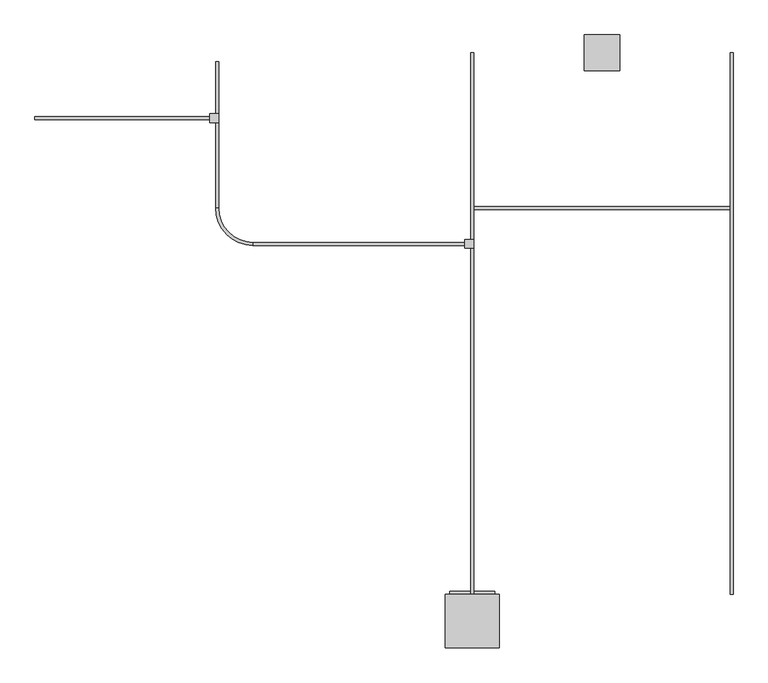
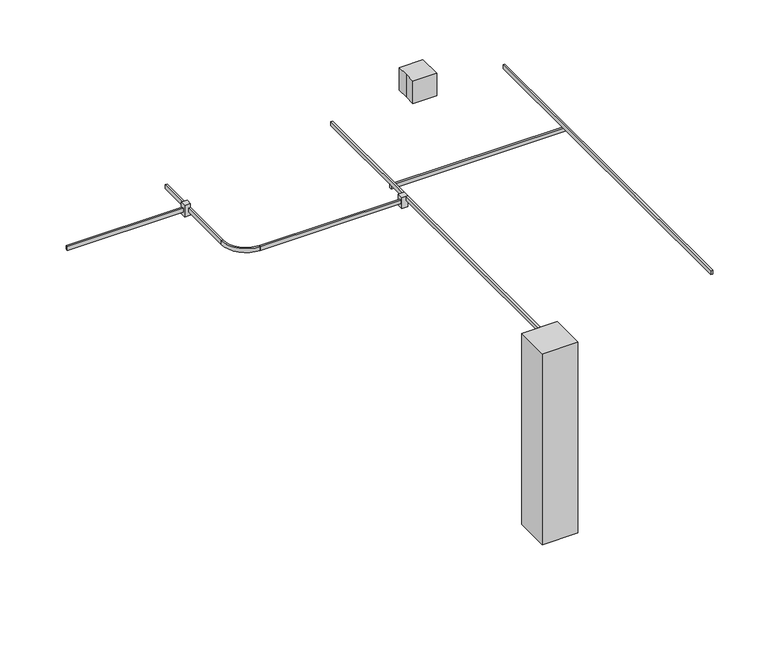
"""IFC4 building model written with IfcOpenShell, lengths in millimetres: proxy geometry."""

import ifcopenshell
import ifcopenshell.guid

model = None  # the IFC model being written
_history = None  # IfcOwnerHistory: only IFC2X3 demands one
_inside = {}  # id of a spatial element -> (the spatial element, [elements in it])
_under = {}  # id of a project, library or spatial element -> (it, [spatial elements below it])
_declared = {}  # id of a project -> (the project, [libraries it declares])
_typed = {}  # id of a type object -> (the type object, [elements of that type])
_made_of = {}  # id of a material, layer set ... -> (it, [elements and type objects made of it])


def new_model(schema):
    """Start an empty IFC model of exactly this schema.

    Asked for "IFC4X3", IfcOpenShell would pick the latest addendum, in which some entities
    have other attributes; the version numbers below select the first issue.
    IFC2X3 requires an IfcOwnerHistory on every rooted entity: one is made here for all.
    """
    global model, _history
    if schema == "IFC4X3":
        model = ifcopenshell.file(schema_version=(4, 3, 0, 0))
    else:
        model = ifcopenshell.file(schema=schema)
    _inside.clear()
    _under.clear()
    _declared.clear()
    _typed.clear()
    _made_of.clear()
    _history = None
    if model.schema == "IFC2X3":
        org = make("IfcOrganization", Name="unknown")
        user = make(
            "IfcPersonAndOrganization",
            ThePerson=make("IfcPerson", FamilyName="unknown"),
            TheOrganization=org,
        )
        app = make(
            "IfcApplication",
            ApplicationDeveloper=org,
            Version="unknown",
            ApplicationFullName="unknown",
            ApplicationIdentifier="unknown",
        )
        _history = make(
            "IfcOwnerHistory",
            OwningUser=user,
            OwningApplication=app,
            ChangeAction="ADDED",
            CreationDate=0,
        )
    return model


def make(cls, **values):
    """One entity of the class cls with the attributes given. An attribute that is None is left unset."""
    return model.create_entity(
        cls, **{name: value for name, value in values.items() if value is not None}
    )


def rooted(cls, **values):
    """An entity with a GlobalId (a new one), such as an element, a storey or a relation."""
    return make(cls, GlobalId=ifcopenshell.guid.new(), OwnerHistory=_history, **values)


def si_unit(unit_type, name, prefix=None):
    """IfcSIUnit, for example si_unit("LENGTHUNIT", "METRE", prefix="MILLI")."""
    return make("IfcSIUnit", UnitType=unit_type, Prefix=prefix, Name=name)


def assignment(units):
    """IfcUnitAssignment: the units of a project."""
    return None if units is None else make("IfcUnitAssignment", Units=units)


def point(xyz):
    """IfcCartesianPoint."""
    return None if xyz is None else make("IfcCartesianPoint", Coordinates=xyz)


def direction(xyz):
    """IfcDirection."""
    return None if xyz is None else make("IfcDirection", DirectionRatios=xyz)


def frame(location, z_axis=None, x_axis=None):
    """IfcAxis2Placement3D, a coordinate frame: its origin and axes. An axis left out is left unset."""
    return make(
        "IfcAxis2Placement3D",
        Location=point(location),
        Axis=direction(z_axis),
        RefDirection=direction(x_axis),
    )


def frame_2d(location, x_axis=None):
    """IfcAxis2Placement2D, a coordinate frame in the plane: its origin and x axis."""
    return make(
        "IfcAxis2Placement2D", Location=point(location), RefDirection=direction(x_axis)
    )


def origin():
    """The frame at (0, 0, 0) with its axes left unset."""
    return frame((0.0, 0.0, 0.0))


def origin_with_axes():
    """The frame at (0, 0, 0) with the z axis (0, 0, 1) and the x axis (1, 0, 0) written out."""
    return frame((0.0, 0.0, 0.0), z_axis=(0.0, 0.0, 1.0), x_axis=(1.0, 0.0, 0.0))


def place(relative_to, where):
    """IfcLocalPlacement: puts the frame where relative to a parent placement (None: the world)."""
    return make(
        "IfcLocalPlacement", PlacementRelTo=relative_to, RelativePlacement=where
    )


def context(
    kind, dimensions, precision=None, world=None, true_north=None, identifier=None
):
    """IfcGeometricRepresentationContext, for example the 3D "Model" context."""
    return make(
        "IfcGeometricRepresentationContext",
        ContextIdentifier=identifier,
        ContextType=kind,
        CoordinateSpaceDimension=dimensions,
        Precision=precision,
        WorldCoordinateSystem=world,
        TrueNorth=true_north,
    )


def project(units=None, contexts=None):
    """IfcProject with its units and contexts."""
    return rooted(
        "IfcProject",
        Name="project",
        RepresentationContexts=contexts,
        UnitsInContext=assignment(units),
    )


def spatial(cls, under=None, at=None, **own):
    """A site, building, storey or space (cls), placed at a placement, below another one or the project."""
    s = rooted(cls, ObjectPlacement=at, **own)
    if under is not None:
        _under.setdefault(under.id(), (under, []))[1].append(s)
    return s


def polyline(points):
    """IfcPolyline through the points."""
    return make("IfcPolyline", Points=[point(p) for p in points])


def circle_curve(where, radius):
    """IfcCircle in the frame where."""
    return make("IfcCircle", Position=where, Radius=radius)


def trimmed(basis, trim1, trim2, sense, master):
    """IfcTrimmedCurve: the piece of a basis curve between two trims."""
    return make(
        "IfcTrimmedCurve",
        BasisCurve=basis,
        Trim1=trim1,
        Trim2=trim2,
        SenseAgreement=sense,
        MasterRepresentation=master,
    )


def segment(curve, same_sense, transition):
    """IfcCompositeCurveSegment."""
    return make(
        "IfcCompositeCurveSegment",
        Transition=transition,
        SameSense=same_sense,
        ParentCurve=curve,
    )


def composite_curve(segments, self_intersect=None):
    """IfcCompositeCurve: segments joined end to end."""
    return make("IfcCompositeCurve", Segments=segments, SelfIntersect=self_intersect)


def outline(outer, holes=None, kind="AREA"):
    """IfcArbitraryClosedProfileDef: a profile drawn as a closed curve; with holes, ...WithVoids."""
    if holes is None:
        return make("IfcArbitraryClosedProfileDef", ProfileType=kind, OuterCurve=outer)
    return make(
        "IfcArbitraryProfileDefWithVoids",
        ProfileType=kind,
        OuterCurve=outer,
        InnerCurves=holes,
    )


def extrude(swept, where, along, depth):
    """IfcExtrudedAreaSolid: the profile swept, set in the frame where, extruded along a direction by depth."""
    return make(
        "IfcExtrudedAreaSolid",
        SweptArea=swept,
        Position=where,
        ExtrudedDirection=direction(along),
        Depth=depth,
    )


def shape(context_of_items, identifier, shape_type, items):
    """IfcShapeRepresentation: the items that make up one representation, for example the "Body"."""
    return make(
        "IfcShapeRepresentation",
        ContextOfItems=context_of_items,
        RepresentationIdentifier=identifier,
        RepresentationType=shape_type,
        Items=items,
    )


def source(mapping_origin, context_of_items, identifier, shape_type, items):
    """IfcRepresentationMap: a shape defined once, which mapped items show again and again."""
    return make(
        "IfcRepresentationMap",
        MappingOrigin=mapping_origin,
        MappedRepresentation=shape(context_of_items, identifier, shape_type, items),
    )


def transform(
    local_origin,
    x_axis=None,
    y_axis=None,
    z_axis=None,
    scale=None,
    scale2=None,
    scale3=None,
    uniform=True,
):
    """IfcCartesianTransformationOperator3D, or its non-uniform kind. x_axis, y_axis, z_axis: its Axis1, 2, 3."""
    if uniform:
        return make(
            "IfcCartesianTransformationOperator3D",
            Axis1=direction(x_axis),
            Axis2=direction(y_axis),
            LocalOrigin=point(local_origin),
            Scale=scale,
            Axis3=direction(z_axis),
        )
    return make(
        "IfcCartesianTransformationOperator3DnonUniform",
        Axis1=direction(x_axis),
        Axis2=direction(y_axis),
        LocalOrigin=point(local_origin),
        Scale=scale,
        Axis3=direction(z_axis),
        Scale2=scale2,
        Scale3=scale3,
    )


def mapped(mapping_source, mapping_target):
    """IfcMappedItem: shows the shape of a source again, moved by a transform."""
    return make(
        "IfcMappedItem", MappingSource=mapping_source, MappingTarget=mapping_target
    )


def made_of(thing, what):
    """Note that an element or type object is made of a material, layer set ...; save() writes the relation."""
    if what is not None:
        _made_of.setdefault(what.id(), (what, []))[1].append(thing)
    return thing


def element(
    cls,
    number,
    at=None,
    inside=None,
    cuts=None,
    type_object=None,
    material=None,
    context=None,
    identifier="Body",
    shape_type=None,
    held_by="IfcProductDefinitionShape",
    body=None,
    shapes=None,
    **own,
):
    """One element of the class cls, such as IfcWall. Its Tag is "e" and its number.

    at: its placement. inside: the storey or other place that contains it. cuts: it is an
    opening in that element (IfcRelVoidsElement). A single representation is given by context,
    identifier, shape_type and body (its items); several are given by shapes. held_by: the class
    of the entity that holds the representations. save() writes the other relations.
    """
    e = rooted(cls, Tag="e%d" % number, ObjectPlacement=at, **own)
    if body is not None:
        shapes = [shape(context, identifier, shape_type, body)]
    if shapes is not None:
        e.Representation = make(held_by, Representations=shapes)
    if inside is not None:
        _inside.setdefault(inside.id(), (inside, []))[1].append(e)
    if cuts is not None:
        rooted(
            "IfcRelVoidsElement", RelatingBuildingElement=cuts, RelatedOpeningElement=e
        )
    if type_object is not None:
        _typed.setdefault(type_object.id(), (type_object, []))[1].append(e)
    return made_of(e, material)


def aggregate(whole, parts):
    """IfcRelAggregates: a whole, such as a stair, and the parts it consists of."""
    return rooted("IfcRelAggregates", RelatingObject=whole, RelatedObjects=parts)


def save(model, path):
    """Write the relations noted so far, then the file.

    IfcRelAggregates (storeys below a building ...), IfcRelContainedInSpatialStructure (elements
    in a storey), IfcRelDefinesByType, IfcRelAssociatesMaterial and IfcRelDeclares: one each for
    every whole, place, type object, material and project.
    """
    for whole, parts in _under.values():
        aggregate(whole, parts)
    for where, things in _inside.values():
        rooted(
            "IfcRelContainedInSpatialStructure",
            RelatedElements=things,
            RelatingStructure=where,
        )
    for kind, things in _typed.values():
        rooted("IfcRelDefinesByType", RelatedObjects=things, RelatingType=kind)
    for what, things in _made_of.values():
        rooted("IfcRelAssociatesMaterial", RelatedObjects=things, RelatingMaterial=what)
    for by, libraries in _declared.values():
        rooted("IfcRelDeclares", RelatingContext=by, RelatedDefinitions=libraries)
    model.write(path)


def specialty_equipment_7046e059(model_context):
    return source(origin(), model_context, "Body", "SweptSolid", [
        extrude(outline(polyline([(-3338.4200386, -545.1376019), (-3338.4200386, -570.5376019), (-4825.7229408, -570.5376019), (-4825.7229408, -545.1376019), (-3338.4200386, -545.1376019)])), frame((0.0, 0.0, -101.6), z_axis=(0.0, 0.0, 1.0), x_axis=(1.0, 0.0, 0.0)), (0.0, 0.0, 1.0), 50.8),
        extrude(outline(polyline([(-3338.4200386, -519.7376019), (-3262.2200386, -519.7376019), (-3262.2200386, -595.9376019), (-3338.4200386, -595.9376019), (-3338.4200386, -519.7376019)])), frame((0.0, 0.0, -152.4), z_axis=(0.0, 0.0, 1.0), x_axis=(1.0, 0.0, 0.0)), (0.0, 0.0, 1.0), 152.4),
        extrude(outline(composite_curve([segment(trimmed(circle_curve(frame_2d((-2970.1200386, -1322.4686515)), 292.1), [point((-3262.2200386, -1322.4686515))], [point((-2970.1200386, -1614.5686515))], True, "CARTESIAN"), True, "CONTINUOUS"), segment(polyline([(-2970.1200386, -1614.5686515), (-2970.1200386, -1639.9686515)]), True, "CONTINUOUS"), segment(trimmed(circle_curve(frame_2d((-2970.1200386, -1322.4686515)), 317.5), [point((-2970.1200386, -1639.9686515))], [point((-3287.6200386, -1322.4686515))], False, "CARTESIAN"), True, "CONTINUOUS"), segment(polyline([(-3287.6200386, -1322.4686515), (-3262.2200386, -1322.4686515)]), True, "CONTINUOUS")], self_intersect=False)), frame((0.0, 0.0, -101.6), z_axis=(0.0, 0.0, 1.0), x_axis=(1.0, 0.0, 0.0)), (0.0, 0.0, 1.0), 50.8),
        extrude(outline(polyline([(-3262.2200386, -1322.4686515), (-3287.6200386, -1322.4686515), (-3287.6200386, -75.2376019), (-3262.2200386, -75.2376019), (-3262.2200386, -1322.4686515)])), frame((0.0, 0.0, -101.6), z_axis=(0.0, 0.0, 1.0), x_axis=(1.0, 0.0, 0.0)), (0.0, 0.0, 1.0), 50.8),
        extrude(outline(polyline([(-1294.2912788, -4585.4992972), (-913.2912788, -4585.4992972), (-913.2912788, -4610.8992972), (-1294.2912788, -4610.8992972), (-1294.2912788, -4585.4992972)])), frame((0.0, 0.0, -2511.7688632), z_axis=(0.0, 0.0, 1.0), x_axis=(1.0, 0.0, 0.0)), (0.0, 0.0, 1.0), 2410.1688632),
        extrude(outline(polyline([(-875.1912788, -5068.0992972), (-1332.3912788, -5068.0992972), (-1332.3912788, -4610.8992972), (-875.1912788, -4610.8992972), (-875.1912788, -5068.0992972)])), frame((0.0, 0.0, -2590.8), z_axis=(0.0, 0.0, 1.0), x_axis=(1.0, 0.0, 0.0)), (0.0, 0.0, 1.0), 2590.8),
        extrude(outline(polyline([(-1167.2912788, -1589.1686515), (-1091.0912788, -1589.1686515), (-1091.0912788, -1665.3686515), (-1167.2912788, -1665.3686515), (-1167.2912788, -1589.1686515)])), frame((0.0, 0.0, -152.4), z_axis=(0.0, 0.0, 1.0), x_axis=(1.0, 0.0, 0.0)), (0.0, 0.0, 1.0), 152.4),
        extrude(outline(polyline([(-2970.1200386, -1639.9686515), (-2970.1200386, -1614.5686515), (-1167.2912788, -1614.5686515), (-1167.2912788, -1639.9686515), (-2970.1200386, -1639.9686515)])), frame((0.0, 0.0, -101.6), z_axis=(0.0, 0.0, 1.0), x_axis=(1.0, 0.0, 0.0)), (0.0, 0.0, 1.0), 50.8),
        extrude(outline(polyline([(-1091.0912788, -4610.8992972), (-1116.4912788, -4610.8992972), (-1116.4912788, 0.0), (-1091.0912788, 0.0), (-1091.0912788, -4610.8992972)])), frame((0.0, 0.0, -50.8), z_axis=(0.0, 0.0, 1.0), x_axis=(1.0, 0.0, 0.0)), (0.0, 0.0, 1.0), 50.8),
        extrude(outline(polyline([(1116.4912788, -1309.7686515), (1116.4912788, -1335.1686515), (-1116.4912788, -1335.1686515), (-1116.4912788, -1309.7686515), (1116.4912788, -1309.7686515)])), frame((0.0, 0.0, -101.6), z_axis=(0.0, 0.0, 1.0), x_axis=(1.0, 0.0, 0.0)), (0.0, 0.0, 1.0), 50.8),
        extrude(outline(polyline([(1116.4912788, -4610.8992972), (1091.0912788, -4610.8992972), (1091.0912788, 0.0), (1116.4912788, 0.0), (1116.4912788, -4610.8992972)])), frame((0.0, 0.0, -50.8), z_axis=(0.0, 0.0, 1.0), x_axis=(1.0, 0.0, 0.0)), (0.0, 0.0, 1.0), 50.8),
        extrude(outline(polyline([(-152.4, 152.4), (152.4, 152.4), (152.4, -152.4), (-152.4, -152.4), (-152.4, 0.0), (-152.4, 152.4)])), origin_with_axes(), (0.0, 0.0, 1.0), 304.8),
    ])


if __name__ == "__main__":
    model = new_model("IFC4")
    model_context = context("Model", 3, world=origin())
    ifc_project = project(units=[si_unit("LENGTHUNIT", "METRE", prefix="MILLI")], contexts=[model_context])
    site = spatial("IfcSite", under=ifc_project)
    building = spatial("IfcBuilding", under=site)
    placement = place(None, origin())
    specialty_equipment_shape = specialty_equipment_7046e059(model_context)
    element("IfcBuildingElementProxy", 1, Name="Specialty Equipment", at=placement, inside=building, context=model_context, shape_type="MappedRepresentation", body=[
        mapped(specialty_equipment_shape, transform((0.0, 0.0, 0.0), x_axis=(1.0, 0.0, 0.0), y_axis=(0.0, 1.0, 0.0), z_axis=(0.0, 0.0, 1.0))),
    ])
    save(model, "model.ifc")
